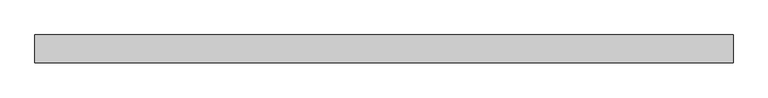
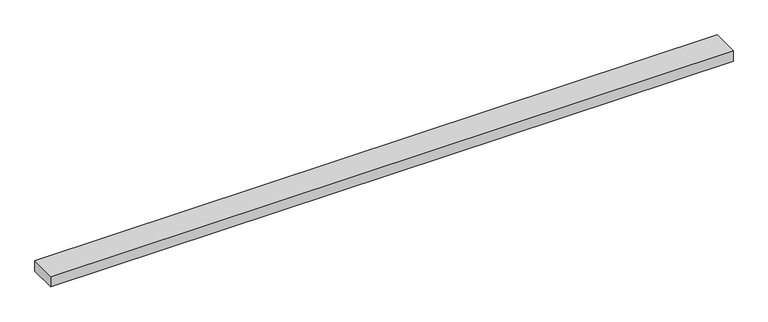
"""IFC4 building model written with IfcOpenShell, lengths in millimetres: beam geometry."""

from ifc_helpers import new_model, si_unit, frame, origin, place, context, project, spatial, polyline, outline, extrude, source, transform, mapped, element, save


def beam_b0b80351(model_context):
    return source(origin(), model_context, "Body", "SweptSolid", [
        extrude(outline(polyline([(870.0, -35.0), (-870.0, -35.0), (-870.0, 35.0), (870.0, 35.0), (870.0, -35.0)])), frame((0.0, 0.0, -14.0), z_axis=(0.0, 0.0, 1.0), x_axis=(1.0, 0.0, 0.0)), (0.0, 0.0, 1.0), 28.0),
    ])


if __name__ == "__main__":
    model = new_model("IFC4")
    model_context = context("Model", 3, world=origin())
    ifc_project = project(units=[si_unit("LENGTHUNIT", "METRE", prefix="MILLI")], contexts=[model_context])
    site = spatial("IfcSite", under=ifc_project)
    building = spatial("IfcBuilding", under=site)
    placement = place(None, origin())
    beam_shape = beam_b0b80351(model_context)
    element("IfcBeam", 1, at=placement, inside=building, context=model_context, shape_type="MappedRepresentation", body=[
        mapped(beam_shape, transform((0.0, 0.0, 0.0), x_axis=(1.0, 0.0, 0.0), y_axis=(0.0, 1.0, 0.0), z_axis=(0.0, 0.0, 1.0))),
    ])
    save(model, "model.ifc")
